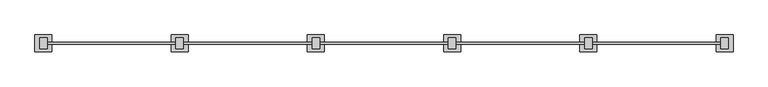
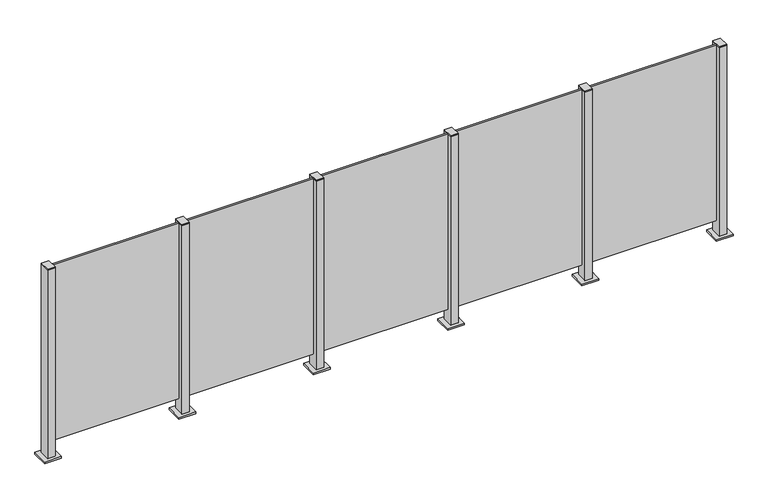
"""IFC4 building model written with IfcOpenShell, lengths in millimetres: railing geometry."""

from ifc_helpers import new_model, si_unit, frame, origin, origin_with_axes, place, context, project, spatial, polyline, outline, extrude, source, transform, mapped, element, save


def railing_c6d19937(model_context):
    return source(origin(), model_context, "Body", "SweptSolid", [
        extrude(outline(polyline([(69210.0, 7505.9598727), (69990.0, 7505.9598727), (69990.0, 7495.9598727), (69210.0, 7495.9598727), (69210.0, 7505.9598727)])), frame((0.0, 0.0, 95.0), z_axis=(0.0, 0.0, 1.0), x_axis=(1.0, 0.0, 0.0)), (0.0, 0.0, 1.0), 1105.0),
        extrude(outline(polyline([(69222.5, 7467.6846828), (69177.5, 7467.6846828), (69177.5, 7532.6846828), (69222.5, 7532.6846828), (69222.5, 7467.6846828)])), frame((0.0, 0.0, 1200.0), z_axis=(0.0, 0.0, 1.0), x_axis=(1.0, 0.0, 0.0)), (0.0, 0.0, 1.0), 5.0),
        extrude(outline(polyline([(69250.0, 7450.1846828), (69150.0, 7450.1846828), (69150.0, 7550.1846828), (69250.0, 7550.1846828), (69250.0, 7450.1846828)])), origin_with_axes(), (0.0, 0.0, 1.0), 12.0),
        extrude(outline(polyline([(69222.5, 7467.6846828), (69177.5, 7467.6846828), (69177.5, 7532.6846828), (69222.5, 7532.6846828), (69222.5, 7467.6846828)])), frame((0.0, 0.0, 12.0), z_axis=(0.0, 0.0, 1.0), x_axis=(1.0, 0.0, 0.0)), (0.0, 0.0, 1.0), 1188.0),
        extrude(outline(polyline([(68410.0, 7505.9598727), (69190.0, 7505.9598727), (69190.0, 7495.9598727), (68410.0, 7495.9598727), (68410.0, 7505.9598727)])), frame((0.0, 0.0, 95.0), z_axis=(0.0, 0.0, 1.0), x_axis=(1.0, 0.0, 0.0)), (0.0, 0.0, 1.0), 1105.0),
        extrude(outline(polyline([(68422.5, 7467.6846828), (68377.5, 7467.6846828), (68377.5, 7532.6846828), (68422.5, 7532.6846828), (68422.5, 7467.6846828)])), frame((0.0, 0.0, 1200.0), z_axis=(0.0, 0.0, 1.0), x_axis=(1.0, 0.0, 0.0)), (0.0, 0.0, 1.0), 5.0),
        extrude(outline(polyline([(68450.0, 7450.1846828), (68350.0, 7450.1846828), (68350.0, 7550.1846828), (68450.0, 7550.1846828), (68450.0, 7450.1846828)])), origin_with_axes(), (0.0, 0.0, 1.0), 12.0),
        extrude(outline(polyline([(68422.5, 7467.6846828), (68377.5, 7467.6846828), (68377.5, 7532.6846828), (68422.5, 7532.6846828), (68422.5, 7467.6846828)])), frame((0.0, 0.0, 12.0), z_axis=(0.0, 0.0, 1.0), x_axis=(1.0, 0.0, 0.0)), (0.0, 0.0, 1.0), 1188.0),
        extrude(outline(polyline([(67610.0, 7505.9598727), (68390.0, 7505.9598727), (68390.0, 7495.9598727), (67610.0, 7495.9598727), (67610.0, 7505.9598727)])), frame((0.0, 0.0, 95.0), z_axis=(0.0, 0.0, 1.0), x_axis=(1.0, 0.0, 0.0)), (0.0, 0.0, 1.0), 1105.0),
        extrude(outline(polyline([(67622.5, 7467.6846828), (67577.5, 7467.6846828), (67577.5, 7532.6846828), (67622.5, 7532.6846828), (67622.5, 7467.6846828)])), frame((0.0, 0.0, 1200.0), z_axis=(0.0, 0.0, 1.0), x_axis=(1.0, 0.0, 0.0)), (0.0, 0.0, 1.0), 5.0),
        extrude(outline(polyline([(67650.0, 7450.1846828), (67550.0, 7450.1846828), (67550.0, 7550.1846828), (67650.0, 7550.1846828), (67650.0, 7450.1846828)])), origin_with_axes(), (0.0, 0.0, 1.0), 12.0),
        extrude(outline(polyline([(67622.5, 7467.6846828), (67577.5, 7467.6846828), (67577.5, 7532.6846828), (67622.5, 7532.6846828), (67622.5, 7467.6846828)])), frame((0.0, 0.0, 12.0), z_axis=(0.0, 0.0, 1.0), x_axis=(1.0, 0.0, 0.0)), (0.0, 0.0, 1.0), 1188.0),
        extrude(outline(polyline([(66810.0, 7505.9598727), (67590.0, 7505.9598727), (67590.0, 7495.9598727), (66810.0, 7495.9598727), (66810.0, 7505.9598727)])), frame((0.0, 0.0, 95.0), z_axis=(0.0, 0.0, 1.0), x_axis=(1.0, 0.0, 0.0)), (0.0, 0.0, 1.0), 1105.0),
        extrude(outline(polyline([(66822.5, 7467.6846828), (66777.5, 7467.6846828), (66777.5, 7532.6846828), (66822.5, 7532.6846828), (66822.5, 7467.6846828)])), frame((0.0, 0.0, 1200.0), z_axis=(0.0, 0.0, 1.0), x_axis=(1.0, 0.0, 0.0)), (0.0, 0.0, 1.0), 5.0),
        extrude(outline(polyline([(66850.0, 7450.1846828), (66750.0, 7450.1846828), (66750.0, 7550.1846828), (66850.0, 7550.1846828), (66850.0, 7450.1846828)])), origin_with_axes(), (0.0, 0.0, 1.0), 12.0),
        extrude(outline(polyline([(66822.5, 7467.6846828), (66777.5, 7467.6846828), (66777.5, 7532.6846828), (66822.5, 7532.6846828), (66822.5, 7467.6846828)])), frame((0.0, 0.0, 12.0), z_axis=(0.0, 0.0, 1.0), x_axis=(1.0, 0.0, 0.0)), (0.0, 0.0, 1.0), 1188.0),
        extrude(outline(polyline([(66010.0, 7505.9598727), (66790.0, 7505.9598727), (66790.0, 7495.9598727), (66010.0, 7495.9598727), (66010.0, 7505.9598727)])), frame((0.0, 0.0, 95.0), z_axis=(0.0, 0.0, 1.0), x_axis=(1.0, 0.0, 0.0)), (0.0, 0.0, 1.0), 1105.0),
        extrude(outline(polyline([(70022.5, 7467.6846828), (69977.5, 7467.6846828), (69977.5, 7532.6846828), (70022.5, 7532.6846828), (70022.5, 7467.6846828)])), frame((0.0, 0.0, 1200.0), z_axis=(0.0, 0.0, 1.0), x_axis=(1.0, 0.0, 0.0)), (0.0, 0.0, 1.0), 5.0),
        extrude(outline(polyline([(70050.0, 7450.1846828), (69950.0, 7450.1846828), (69950.0, 7550.1846828), (70050.0, 7550.1846828), (70050.0, 7450.1846828)])), origin_with_axes(), (0.0, 0.0, 1.0), 12.0),
        extrude(outline(polyline([(70022.5, 7467.6846828), (69977.5, 7467.6846828), (69977.5, 7532.6846828), (70022.5, 7532.6846828), (70022.5, 7467.6846828)])), frame((0.0, 0.0, 12.0), z_axis=(0.0, 0.0, 1.0), x_axis=(1.0, 0.0, 0.0)), (0.0, 0.0, 1.0), 1188.0),
        extrude(outline(polyline([(66022.5, 7467.6846828), (65977.5, 7467.6846828), (65977.5, 7532.6846828), (66022.5, 7532.6846828), (66022.5, 7467.6846828)])), frame((0.0, 0.0, 1200.0), z_axis=(0.0, 0.0, 1.0), x_axis=(1.0, 0.0, 0.0)), (0.0, 0.0, 1.0), 5.0),
        extrude(outline(polyline([(66050.0, 7450.1846828), (65950.0, 7450.1846828), (65950.0, 7550.1846828), (66050.0, 7550.1846828), (66050.0, 7450.1846828)])), origin_with_axes(), (0.0, 0.0, 1.0), 12.0),
        extrude(outline(polyline([(66022.5, 7467.6846828), (65977.5, 7467.6846828), (65977.5, 7532.6846828), (66022.5, 7532.6846828), (66022.5, 7467.6846828)])), frame((0.0, 0.0, 12.0), z_axis=(0.0, 0.0, 1.0), x_axis=(1.0, 0.0, 0.0)), (0.0, 0.0, 1.0), 1188.0),
    ])


if __name__ == "__main__":
    model = new_model("IFC4")
    model_context = context("Model", 3, world=origin())
    ifc_project = project(units=[si_unit("LENGTHUNIT", "METRE", prefix="MILLI")], contexts=[model_context])
    site = spatial("IfcSite", under=ifc_project)
    building = spatial("IfcBuilding", under=site)
    placement = place(None, origin())
    railing_shape = railing_c6d19937(model_context)
    element("IfcRailing", 1, at=placement, inside=building, context=model_context, shape_type="MappedRepresentation", body=[
        mapped(railing_shape, transform((0.0, 0.0, 0.0), x_axis=(1.0, 0.0, 0.0), y_axis=(0.0, 1.0, 0.0), z_axis=(0.0, 0.0, 1.0))),
    ])
    save(model, "model.ifc")
